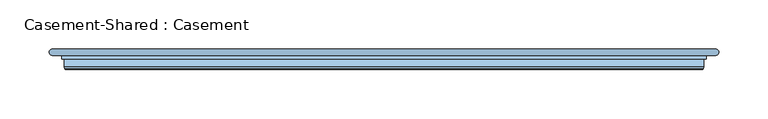
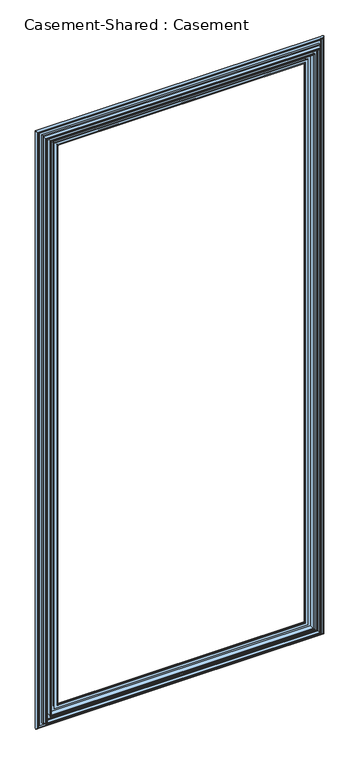
"""IFC4 building model written with IfcOpenShell, lengths in millimetres: window geometry, Casement-Shared : Casement."""

import ifcopenshell
import ifcopenshell.guid

model = None  # the IFC model being written
_history = None  # IfcOwnerHistory: only IFC2X3 demands one
_inside = {}  # id of a spatial element -> (the spatial element, [elements in it])
_under = {}  # id of a project, library or spatial element -> (it, [spatial elements below it])
_declared = {}  # id of a project -> (the project, [libraries it declares])
_typed = {}  # id of a type object -> (the type object, [elements of that type])
_made_of = {}  # id of a material, layer set ... -> (it, [elements and type objects made of it])


def new_model(schema):
    """Start an empty IFC model of exactly this schema.

    Asked for "IFC4X3", IfcOpenShell would pick the latest addendum, in which some entities
    have other attributes; the version numbers below select the first issue.
    IFC2X3 requires an IfcOwnerHistory on every rooted entity: one is made here for all.
    """
    global model, _history
    if schema == "IFC4X3":
        model = ifcopenshell.file(schema_version=(4, 3, 0, 0))
    else:
        model = ifcopenshell.file(schema=schema)
    _inside.clear()
    _under.clear()
    _declared.clear()
    _typed.clear()
    _made_of.clear()
    _history = None
    if model.schema == "IFC2X3":
        org = make("IfcOrganization", Name="unknown")
        user = make(
            "IfcPersonAndOrganization",
            ThePerson=make("IfcPerson", FamilyName="unknown"),
            TheOrganization=org,
        )
        app = make(
            "IfcApplication",
            ApplicationDeveloper=org,
            Version="unknown",
            ApplicationFullName="unknown",
            ApplicationIdentifier="unknown",
        )
        _history = make(
            "IfcOwnerHistory",
            OwningUser=user,
            OwningApplication=app,
            ChangeAction="ADDED",
            CreationDate=0,
        )
    return model


def make(cls, **values):
    """One entity of the class cls with the attributes given. An attribute that is None is left unset."""
    return model.create_entity(
        cls, **{name: value for name, value in values.items() if value is not None}
    )


def rooted(cls, **values):
    """An entity with a GlobalId (a new one), such as an element, a storey or a relation."""
    return make(cls, GlobalId=ifcopenshell.guid.new(), OwnerHistory=_history, **values)


def si_unit(unit_type, name, prefix=None):
    """IfcSIUnit, for example si_unit("LENGTHUNIT", "METRE", prefix="MILLI")."""
    return make("IfcSIUnit", UnitType=unit_type, Prefix=prefix, Name=name)


def assignment(units):
    """IfcUnitAssignment: the units of a project."""
    return None if units is None else make("IfcUnitAssignment", Units=units)


def point(xyz):
    """IfcCartesianPoint."""
    return None if xyz is None else make("IfcCartesianPoint", Coordinates=xyz)


def direction(xyz):
    """IfcDirection."""
    return None if xyz is None else make("IfcDirection", DirectionRatios=xyz)


def frame(location, z_axis=None, x_axis=None):
    """IfcAxis2Placement3D, a coordinate frame: its origin and axes. An axis left out is left unset."""
    return make(
        "IfcAxis2Placement3D",
        Location=point(location),
        Axis=direction(z_axis),
        RefDirection=direction(x_axis),
    )


def origin():
    """The frame at (0, 0, 0) with its axes left unset."""
    return frame((0.0, 0.0, 0.0))


def place(relative_to, where):
    """IfcLocalPlacement: puts the frame where relative to a parent placement (None: the world)."""
    return make(
        "IfcLocalPlacement", PlacementRelTo=relative_to, RelativePlacement=where
    )


def context(
    kind, dimensions, precision=None, world=None, true_north=None, identifier=None
):
    """IfcGeometricRepresentationContext, for example the 3D "Model" context."""
    return make(
        "IfcGeometricRepresentationContext",
        ContextIdentifier=identifier,
        ContextType=kind,
        CoordinateSpaceDimension=dimensions,
        Precision=precision,
        WorldCoordinateSystem=world,
        TrueNorth=true_north,
    )


def project(units=None, contexts=None):
    """IfcProject with its units and contexts."""
    return rooted(
        "IfcProject",
        Name="project",
        RepresentationContexts=contexts,
        UnitsInContext=assignment(units),
    )


def spatial(cls, under=None, at=None, **own):
    """A site, building, storey or space (cls), placed at a placement, below another one or the project."""
    s = rooted(cls, ObjectPlacement=at, **own)
    if under is not None:
        _under.setdefault(under.id(), (under, []))[1].append(s)
    return s


def polyline(points):
    """IfcPolyline through the points."""
    return make("IfcPolyline", Points=[point(p) for p in points])


def ellipse_curve(where, semi_axis1, semi_axis2):
    """IfcEllipse in the frame where."""
    return make(
        "IfcEllipse", Position=where, SemiAxis1=semi_axis1, SemiAxis2=semi_axis2
    )


def shape(context_of_items, identifier, shape_type, items):
    """IfcShapeRepresentation: the items that make up one representation, for example the "Body"."""
    return make(
        "IfcShapeRepresentation",
        ContextOfItems=context_of_items,
        RepresentationIdentifier=identifier,
        RepresentationType=shape_type,
        Items=items,
    )


def source(mapping_origin, context_of_items, identifier, shape_type, items):
    """IfcRepresentationMap: a shape defined once, which mapped items show again and again."""
    return make(
        "IfcRepresentationMap",
        MappingOrigin=mapping_origin,
        MappedRepresentation=shape(context_of_items, identifier, shape_type, items),
    )


def transform(
    local_origin,
    x_axis=None,
    y_axis=None,
    z_axis=None,
    scale=None,
    scale2=None,
    scale3=None,
    uniform=True,
):
    """IfcCartesianTransformationOperator3D, or its non-uniform kind. x_axis, y_axis, z_axis: its Axis1, 2, 3."""
    if uniform:
        return make(
            "IfcCartesianTransformationOperator3D",
            Axis1=direction(x_axis),
            Axis2=direction(y_axis),
            LocalOrigin=point(local_origin),
            Scale=scale,
            Axis3=direction(z_axis),
        )
    return make(
        "IfcCartesianTransformationOperator3DnonUniform",
        Axis1=direction(x_axis),
        Axis2=direction(y_axis),
        LocalOrigin=point(local_origin),
        Scale=scale,
        Axis3=direction(z_axis),
        Scale2=scale2,
        Scale3=scale3,
    )


def mapped(mapping_source, mapping_target):
    """IfcMappedItem: shows the shape of a source again, moved by a transform."""
    return make(
        "IfcMappedItem", MappingSource=mapping_source, MappingTarget=mapping_target
    )


def made_of(thing, what):
    """Note that an element or type object is made of a material, layer set ...; save() writes the relation."""
    if what is not None:
        _made_of.setdefault(what.id(), (what, []))[1].append(thing)
    return thing


def element(
    cls,
    number,
    at=None,
    inside=None,
    cuts=None,
    type_object=None,
    material=None,
    context=None,
    identifier="Body",
    shape_type=None,
    held_by="IfcProductDefinitionShape",
    body=None,
    shapes=None,
    **own,
):
    """One element of the class cls, such as IfcWall. Its Tag is "e" and its number.

    at: its placement. inside: the storey or other place that contains it. cuts: it is an
    opening in that element (IfcRelVoidsElement). A single representation is given by context,
    identifier, shape_type and body (its items); several are given by shapes. held_by: the class
    of the entity that holds the representations. save() writes the other relations.
    """
    e = rooted(cls, Tag="e%d" % number, ObjectPlacement=at, **own)
    if body is not None:
        shapes = [shape(context, identifier, shape_type, body)]
    if shapes is not None:
        e.Representation = make(held_by, Representations=shapes)
    if inside is not None:
        _inside.setdefault(inside.id(), (inside, []))[1].append(e)
    if cuts is not None:
        rooted(
            "IfcRelVoidsElement", RelatingBuildingElement=cuts, RelatedOpeningElement=e
        )
    if type_object is not None:
        _typed.setdefault(type_object.id(), (type_object, []))[1].append(e)
    return made_of(e, material)


def aggregate(whole, parts):
    """IfcRelAggregates: a whole, such as a stair, and the parts it consists of."""
    return rooted("IfcRelAggregates", RelatingObject=whole, RelatedObjects=parts)


def save(model, path):
    """Write the relations noted so far, then the file.

    IfcRelAggregates (storeys below a building ...), IfcRelContainedInSpatialStructure (elements
    in a storey), IfcRelDefinesByType, IfcRelAssociatesMaterial and IfcRelDeclares: one each for
    every whole, place, type object, material and project.
    """
    for whole, parts in _under.values():
        aggregate(whole, parts)
    for where, things in _inside.values():
        rooted(
            "IfcRelContainedInSpatialStructure",
            RelatedElements=things,
            RelatingStructure=where,
        )
    for kind, things in _typed.values():
        rooted("IfcRelDefinesByType", RelatedObjects=things, RelatingType=kind)
    for what, things in _made_of.values():
        rooted("IfcRelAssociatesMaterial", RelatedObjects=things, RelatingMaterial=what)
    for by, libraries in _declared.values():
        rooted("IfcRelDeclares", RelatingContext=by, RelatedDefinitions=libraries)
    model.write(path)


def plane_surface(at):
    """IfcPlane: the flat surface through the origin of the frame at, square to its z axis."""
    return make("IfcPlane", Position=at)


def cylinder_surface(at, radius):
    """IfcCylindricalSurface: all points at the distance radius from the z axis of the frame at."""
    return make("IfcCylindricalSurface", Position=at, Radius=radius)


def revolved_surface(curve, axis_point, axis_direction):
    """IfcSurfaceOfRevolution: the curve turned about the line through axis_point along axis_direction."""
    return make(
        "IfcSurfaceOfRevolution",
        SweptCurve=make("IfcArbitraryOpenProfileDef", ProfileType="CURVE", Curve=curve),
        AxisPosition=make("IfcAxis1Placement", Location=point(axis_point), Axis=direction(axis_direction)),
    )


def advanced_brep(points, edges, surfaces, faces):
    """IfcAdvancedBrep: a solid bounded by faces that lie on surfaces and meet in shared edges.

    An edge is (start, end): straight between two places in points (the first is 0);
    or (start, end, curve); or (start, end, curve, False) where it runs against its curve.
    A face is (place in surfaces, loops), or (place, loops, False) where it looks against
    its surface's normal. A loop lists edges by number (the first is 1), with a minus sign
    where the edge is run from its end to its start. The first loop is the outer one.
    """
    corners = [point(p) for p in points]
    vertices = [make("IfcVertexPoint", VertexGeometry=c) for c in corners]
    made = []
    for start, end, *more in edges:
        made.append(
            make(
                "IfcEdgeCurve",
                EdgeStart=vertices[start],
                EdgeEnd=vertices[end],
                EdgeGeometry=more[0] if more else make("IfcPolyline", Points=[corners[start], corners[end]]),
                SameSense=more[1] if len(more) > 1 else True,
            )
        )
    hull = []
    for where, loops, *sense in faces:
        bounds = []
        for j, loop in enumerate(loops):
            ring = [make("IfcOrientedEdge", EdgeElement=made[abs(k) - 1], Orientation=k > 0) for k in loop]
            bounds.append(
                make(
                    "IfcFaceOuterBound" if j == 0 else "IfcFaceBound",
                    Bound=make("IfcEdgeLoop", EdgeList=ring),
                    Orientation=True,
                )
            )
        hull.append(make("IfcAdvancedFace", Bounds=bounds, FaceSurface=surfaces[where], SameSense=sense[0] if sense else True))
    return make("IfcAdvancedBrep", Outer=make("IfcClosedShell", CfsFaces=hull))


def casement_shared_casement_05b8ebf6(model_context):
    return source(origin(), model_context, "Body", "AdvancedBrep", [
        advanced_brep(
        [(-324.246875, 91.2647909, 2407.046875), (-323.7972647, 89.6205352, 2406.5972647), (323.7972647, 89.6205352, 2406.5972647), (324.246875, 91.2647909, 2407.046875), (-324.246875, 99.4568751, 2407.046875), (324.246875, 99.4568751, 2407.046875), (-327.025, 103.8225001, 2409.825), (-327.025, 99.4568751, 2409.825), (327.025, 99.4568751, 2409.825), (327.025, 103.8225001, 2409.825), (-332.994, 105.2195001, 2415.794), (-332.994, 103.8225001, 2415.794), (332.994, 103.8225001, 2415.794), (332.994, 105.2195001, 2415.794), (-327.025, 107.2038751, 2409.825), (-327.025, 105.2195001, 2409.825), (327.025, 105.2195001, 2409.825), (327.025, 107.2038751, 2409.825), (-332.994, 108.6008751, 2415.794), (-332.994, 107.2038751, 2415.794), (332.994, 107.2038751, 2415.794), (332.994, 108.6008751, 2415.794), (-295.827571, 107.8071251, 2378.627571), (-297.2023863, 108.6008751, 2380.0023863), (297.2023863, 108.6008751, 2380.0023863), (295.827571, 107.8071251, 2378.627571), (-291.9158097, 101.0317557, 2374.7158097), (291.9158097, 101.0317557, 2374.7158097), (-291.727887, 99.9587099, 2374.527887), (291.727887, 99.9587099, 2374.527887), (-293.0237954, 99.4568751, 2375.8237954), (293.0237954, 99.4568751, 2375.8237954), (-299.259625, 100.8538751, 2382.059625), (-299.259625, 99.4568751, 2382.059625), (299.259625, 99.4568751, 2382.059625), (299.259625, 100.8538751, 2382.059625), (-293.7561826, 101.4253751, 2376.5561826), (-294.0861382, 100.8538751, 2376.8861382), (294.0861382, 100.8538751, 2376.8861382), (293.7561826, 101.4253751, 2376.5561826), (-297.0924011, 107.2038751, 2379.8924011), (297.0924011, 107.2038751, 2379.8924011), (-309.5625, 95.8691251, 2392.3625), (-309.5625, 107.2038751, 2392.3625), (309.5625, 107.2038751, 2392.3625), (309.5625, 95.8691251, 2392.3625), (-310.0185952, 94.6800701, 2392.8185952), (310.0185952, 94.6800701, 2392.8185952), (-310.0185952, 93.601925, 2392.8185952), (310.0185952, 93.601925, 2392.8185952), (-311.3615086, 93.62459, 2394.1615086), (311.3615086, 93.62459, 2394.1615086), (-311.7323302, 95.008515, 2394.5323302), (311.7323302, 95.008515, 2394.5323302), (-310.9595, 95.8691251, 2393.7595), (310.9595, 95.8691251, 2393.7595), (-310.9595, 107.2038751, 2393.7595), (310.9595, 107.2038751, 2393.7595), (-325.628, 100.8538751, 2408.428), (-325.628, 107.2038751, 2408.428), (325.628, 107.2038751, 2408.428), (325.628, 100.8538751, 2408.428), (-320.45275, 99.4568751, 2403.25275), (-320.45275, 100.8538751, 2403.25275), (320.45275, 100.8538751, 2403.25275), (320.45275, 99.4568751, 2403.25275), (-322.849875, 91.4157202, 2405.649875), (-322.849875, 99.4568751, 2405.649875), (322.849875, 99.4568751, 2405.649875), (322.849875, 91.4157202, 2405.649875), (-322.0770448, 90.64289, 2404.8770448), (322.0770448, 90.64289, 2404.8770448), (-322.4478664, 89.258965, 2405.2478664), (322.4478664, 89.258965, 2405.2478664), (323.7972647, 89.6205352, 946.2027353), (324.246875, 91.2647909, 945.753125), (324.246875, 99.4568751, 945.753125), (327.025, 99.4568751, 942.975), (327.025, 103.8225001, 942.975), (332.994, 103.8225001, 937.006), (332.994, 105.2195001, 937.006), (327.025, 105.2195001, 942.975), (327.025, 107.2038751, 942.975), (332.994, 107.2038751, 937.006), (332.994, 108.6008751, 937.006), (297.2023863, 108.6008751, 972.7976137), (295.827571, 107.8071251, 974.172429), (291.9158097, 101.0317557, 978.0841903), (291.727887, 99.9587099, 978.272113), (293.0237954, 99.4568751, 976.9762046), (299.259625, 99.4568751, 970.740375), (299.259625, 100.8538751, 970.740375), (294.0861382, 100.8538751, 975.9138618), (293.7561826, 101.4253751, 976.2438174), (297.0924011, 107.2038751, 972.9075989), (309.5625, 107.2038751, 960.4375), (309.5625, 95.8691251, 960.4375), (310.0185952, 94.6800701, 959.9814048), (310.0185952, 93.601925, 959.9814048), (311.3615086, 93.62459, 958.6384914), (311.7323302, 95.008515, 958.2676698), (310.9595, 95.8691251, 959.0405), (310.9595, 107.2038751, 959.0405), (325.628, 107.2038751, 944.372), (325.628, 100.8538751, 944.372), (320.45275, 100.8538751, 949.54725), (320.45275, 99.4568751, 949.54725), (322.849875, 99.4568751, 947.150125), (322.849875, 91.4157202, 947.150125), (322.0770448, 90.64289, 947.9229552), (322.4478664, 89.258965, 947.5521336), (-323.7972647, 89.6205352, 946.2027353), (-324.246875, 91.2647909, 945.753125), (-324.246875, 99.4568751, 945.753125), (-327.025, 99.4568751, 942.975), (-327.025, 103.8225001, 942.975), (-332.994, 103.8225001, 937.006), (-332.994, 105.2195001, 937.006), (-327.025, 105.2195001, 942.975), (-327.025, 107.2038751, 942.975), (-332.994, 107.2038751, 937.006), (-332.994, 108.6008751, 937.006), (-297.2023863, 108.6008751, 972.7976137), (-295.827571, 107.8071251, 974.172429), (-291.9158097, 101.0317557, 978.0841903), (-291.727887, 99.9587099, 978.272113), (-293.0237954, 99.4568751, 976.9762046), (-299.259625, 99.4568751, 970.740375), (-299.259625, 100.8538751, 970.740375), (-294.0861382, 100.8538751, 975.9138618), (-293.7561826, 101.4253751, 976.2438174), (-297.0924011, 107.2038751, 972.9075989), (-309.5625, 107.2038751, 960.4375), (-309.5625, 95.8691251, 960.4375), (-310.0185952, 94.6800701, 959.9814048), (-310.0185952, 93.601925, 959.9814048), (-311.3615086, 93.62459, 958.6384914), (-311.7323302, 95.008515, 958.2676698), (-310.9595, 95.8691251, 959.0405), (-310.9595, 107.2038751, 959.0405), (-325.628, 107.2038751, 944.372), (-325.628, 100.8538751, 944.372), (-320.45275, 100.8538751, 949.54725), (-320.45275, 99.4568751, 949.54725), (-322.849875, 99.4568751, 947.150125), (-322.849875, 91.4157202, 947.150125), (-322.0770448, 90.64289, 947.9229552), (-322.4478664, 89.258965, 947.5521336)],
        [
            (0, 1),
            (1, 2),
            (2, 3),
            (3, 0),
            (4, 0),
            (3, 5),
            (5, 4),
            (6, 7),
            (7, 8),
            (8, 9),
            (9, 6),
            (10, 11),
            (11, 12),
            (12, 13),
            (13, 10),
            (14, 15),
            (15, 16),
            (16, 17),
            (17, 14),
            (18, 19),
            (19, 20),
            (20, 21),
            (21, 18),
            (22, 23, ellipse_curve(frame((-297.2023863, 107.0133751, 2380.0023863), z_axis=(0.7071067811865475, 0.0, 0.7071067811865475), x_axis=(-0.7071067811865476, 0.0, 0.7071067811865474)), 2.245064, 1.5875)),
            (23, 24),
            (24, 25, ellipse_curve(frame((297.2023863, 107.0133751, 2380.0023863), z_axis=(-0.7071067811865475, 0.0, 0.7071067811865475), x_axis=(-0.7071067811865476, 0.0, -0.7071067811865474)), 2.245064, 1.5875)),
            (25, 22),
            (26, 22),
            (25, 27),
            (27, 26),
            (28, 26, ellipse_curve(frame((-293.290625, 100.2380057, 2376.090625), z_axis=(0.7071067811865475, 0.0, 0.7071067811865475), x_axis=(-0.7071067811865476, 0.0, 0.7071067811865474)), 2.245064, 1.5875)),
            (27, 29, ellipse_curve(frame((293.290625, 100.2380057, 2376.090625), z_axis=(-0.7071067811865475, 0.0, 0.7071067811865475), x_axis=(-0.7071067811865476, 0.0, -0.7071067811865474)), 2.245064, 1.5875)),
            (29, 28),
            (30, 28, ellipse_curve(frame((-292.401625, 99.7743751, 2375.201625), z_axis=(0.7071067811865475, 0.0, 0.7071067811865475), x_axis=(-0.7071067811865476, 0.0, 0.7071067811865474)), 0.9878282, 0.6985)),
            (29, 31, ellipse_curve(frame((292.401625, 99.7743751, 2375.201625), z_axis=(-0.7071067811865475, 0.0, 0.7071067811865475), x_axis=(-0.7071067811865476, 0.0, -0.7071067811865474)), 0.9878282, 0.6985)),
            (31, 30),
            (32, 33),
            (33, 34),
            (34, 35),
            (35, 32),
            (36, 37, ellipse_curve(frame((-294.0861382, 101.2348751, 2376.8861382), z_axis=(-0.7071067811865475, 0.0, -0.7071067811865475), x_axis=(0.7071067811865476, 0.0, -0.7071067811865474)), 0.5388154, 0.381)),
            (37, 38),
            (38, 39, ellipse_curve(frame((294.0861382, 101.2348751, 2376.8861382), z_axis=(0.7071067811865475, 0.0, -0.7071067811865475), x_axis=(0.7071067811865476, 0.0, 0.7071067811865474)), 0.5388154, 0.381)),
            (39, 36),
            (40, 36),
            (39, 41),
            (41, 40),
            (42, 43),
            (43, 44),
            (44, 45),
            (45, 42),
            (46, 42, ellipse_curve(frame((-311.3405, 95.8691251, 2394.1405), z_axis=(0.7071067811865475, 0.0, 0.7071067811865475), x_axis=(-0.7071067811865476, 0.0, 0.7071067811865474)), 2.5144717, 1.778)),
            (45, 47, ellipse_curve(frame((311.3405, 95.8691251, 2394.1405), z_axis=(-0.7071067811865475, 0.0, 0.7071067811865475), x_axis=(-0.7071067811865476, 0.0, -0.7071067811865474)), 2.5144717, 1.778)),
            (47, 46),
            (48, 46),
            (47, 49),
            (49, 48),
            (50, 48, ellipse_curve(frame((-310.6868095, 93.8053751, 2393.4868095), z_axis=(0.7071067811865475, 0.0, 0.7071067811865475), x_axis=(-0.7071067811865476, 0.0, 0.7071067811865474)), 0.9878282, 0.6985)),
            (49, 51, ellipse_curve(frame((310.6868095, 93.8053751, 2393.4868095), z_axis=(-0.7071067811865475, 0.0, 0.7071067811865475), x_axis=(-0.7071067811865476, 0.0, -0.7071067811865474)), 0.9878282, 0.6985)),
            (51, 50),
            (52, 50),
            (51, 53),
            (53, 52),
            (54, 52),
            (53, 55),
            (55, 54),
            (56, 54),
            (55, 57),
            (57, 56),
            (58, 59),
            (59, 60),
            (60, 61),
            (61, 58),
            (62, 63),
            (63, 64),
            (64, 65),
            (65, 62),
            (66, 67),
            (67, 68),
            (68, 69),
            (69, 66),
            (70, 66),
            (69, 71),
            (71, 70),
            (72, 70),
            (71, 73),
            (73, 72),
            (1, 72, ellipse_curve(frame((-323.1225655, 89.4397501, 2405.9225655), z_axis=(0.7071067811865475, 0.0, 0.7071067811865475), x_axis=(-0.7071067811865476, 0.0, 0.7071067811865474)), 0.9878282, 0.6985)),
            (73, 2, ellipse_curve(frame((323.1225655, 89.4397501, 2405.9225655), z_axis=(-0.7071067811865475, 0.0, 0.7071067811865475), x_axis=(-0.7071067811865476, 0.0, -0.7071067811865474)), 0.9878282, 0.6985)),
            (2, 74),
            (74, 75),
            (75, 3),
            (75, 76),
            (76, 5),
            (8, 77),
            (77, 78),
            (78, 9),
            (12, 79),
            (79, 80),
            (80, 13),
            (16, 81),
            (81, 82),
            (82, 17),
            (20, 83),
            (83, 84),
            (84, 21),
            (24, 85),
            (85, 86, ellipse_curve(frame((297.2023863, 107.0133751, 972.7976137), z_axis=(0.7071067811865475, 0.0, 0.7071067811865475), x_axis=(-0.7071067811865474, 0.0, 0.7071067811865476)), 2.245064, 1.5875)),
            (86, 25),
            (86, 87),
            (87, 27),
            (87, 88, ellipse_curve(frame((293.290625, 100.2380057, 976.709375), z_axis=(0.7071067811865475, 0.0, 0.7071067811865475), x_axis=(-0.7071067811865474, 0.0, 0.7071067811865476)), 2.245064, 1.5875)),
            (88, 29),
            (88, 89, ellipse_curve(frame((292.401625, 99.7743751, 977.598375), z_axis=(0.7071067811865475, 0.0, 0.7071067811865475), x_axis=(-0.7071067811865474, 0.0, 0.7071067811865476)), 0.9878282, 0.6985)),
            (89, 31),
            (34, 90),
            (90, 91),
            (91, 35),
            (38, 92),
            (92, 93, ellipse_curve(frame((294.0861382, 101.2348751, 975.9138618), z_axis=(-0.7071067811865475, 0.0, -0.7071067811865475), x_axis=(0.7071067811865474, 0.0, -0.7071067811865476)), 0.5388154, 0.381)),
            (93, 39),
            (93, 94),
            (94, 41),
            (44, 95),
            (95, 96),
            (96, 45),
            (96, 97, ellipse_curve(frame((311.3405, 95.8691251, 958.6595), z_axis=(0.7071067811865475, 0.0, 0.7071067811865475), x_axis=(-0.7071067811865474, 0.0, 0.7071067811865476)), 2.5144717, 1.778)),
            (97, 47),
            (97, 98),
            (98, 49),
            (98, 99, ellipse_curve(frame((310.6868095, 93.8053751, 959.3131905), z_axis=(0.7071067811865475, 0.0, 0.7071067811865475), x_axis=(-0.7071067811865474, 0.0, 0.7071067811865476)), 0.9878282, 0.6985)),
            (99, 51),
            (99, 100),
            (100, 53),
            (100, 101),
            (101, 55),
            (101, 102),
            (102, 57),
            (60, 103),
            (103, 104),
            (104, 61),
            (64, 105),
            (105, 106),
            (106, 65),
            (68, 107),
            (107, 108),
            (108, 69),
            (108, 109),
            (109, 71),
            (109, 110),
            (110, 73),
            (110, 74, ellipse_curve(frame((323.1225655, 89.4397501, 946.8774345), z_axis=(0.7071067811865475, 0.0, 0.7071067811865475), x_axis=(-0.7071067811865474, 0.0, 0.7071067811865476)), 0.9878282, 0.6985)),
            (74, 111),
            (111, 112),
            (112, 75),
            (112, 113),
            (113, 76),
            (77, 114),
            (114, 115),
            (115, 78),
            (79, 116),
            (116, 117),
            (117, 80),
            (81, 118),
            (118, 119),
            (119, 82),
            (83, 120),
            (120, 121),
            (121, 84),
            (85, 122),
            (122, 123, ellipse_curve(frame((-297.2023863, 107.0133751, 972.7976137), z_axis=(0.7071067811865475, 0.0, -0.7071067811865475), x_axis=(0.7071067811865476, 0.0, 0.7071067811865474)), 2.245064, 1.5875)),
            (123, 86),
            (123, 124),
            (124, 87),
            (124, 125, ellipse_curve(frame((-293.290625, 100.2380057, 976.709375), z_axis=(0.7071067811865475, 0.0, -0.7071067811865475), x_axis=(0.7071067811865476, 0.0, 0.7071067811865474)), 2.245064, 1.5875)),
            (125, 88),
            (125, 126, ellipse_curve(frame((-292.401625, 99.7743751, 977.598375), z_axis=(0.7071067811865475, 0.0, -0.7071067811865475), x_axis=(0.7071067811865476, 0.0, 0.7071067811865474)), 0.9878282, 0.6985)),
            (126, 89),
            (90, 127),
            (127, 128),
            (128, 91),
            (92, 129),
            (129, 130, ellipse_curve(frame((-294.0861382, 101.2348751, 975.9138618), z_axis=(-0.7071067811865475, 0.0, 0.7071067811865475), x_axis=(-0.7071067811865476, 0.0, -0.7071067811865474)), 0.5388154, 0.381)),
            (130, 93),
            (130, 131),
            (131, 94),
            (95, 132),
            (132, 133),
            (133, 96),
            (133, 134, ellipse_curve(frame((-311.3405, 95.8691251, 958.6595), z_axis=(0.7071067811865475, 0.0, -0.7071067811865475), x_axis=(0.7071067811865476, 0.0, 0.7071067811865474)), 2.5144717, 1.778)),
            (134, 97),
            (134, 135),
            (135, 98),
            (135, 136, ellipse_curve(frame((-310.6868095, 93.8053751, 959.3131905), z_axis=(0.7071067811865475, 0.0, -0.7071067811865475), x_axis=(0.7071067811865476, 0.0, 0.7071067811865474)), 0.9878282, 0.6985)),
            (136, 99),
            (136, 137),
            (137, 100),
            (137, 138),
            (138, 101),
            (138, 139),
            (139, 102),
            (103, 140),
            (140, 141),
            (141, 104),
            (105, 142),
            (142, 143),
            (143, 106),
            (107, 144),
            (144, 145),
            (145, 108),
            (145, 146),
            (146, 109),
            (146, 147),
            (147, 110),
            (147, 111, ellipse_curve(frame((-323.1225655, 89.4397501, 946.8774345), z_axis=(0.7071067811865475, 0.0, -0.7071067811865475), x_axis=(0.7071067811865476, 0.0, 0.7071067811865474)), 0.9878282, 0.6985)),
            (111, 1),
            (0, 112),
            (4, 113),
            (7, 114),
            (6, 115),
            (11, 116),
            (10, 117),
            (15, 118),
            (14, 119),
            (19, 120),
            (18, 121),
            (23, 122),
            (22, 123),
            (26, 124),
            (28, 125),
            (30, 126),
            (33, 127),
            (32, 128),
            (37, 129),
            (36, 130),
            (40, 131),
            (43, 132),
            (42, 133),
            (46, 134),
            (48, 135),
            (50, 136),
            (52, 137),
            (54, 138),
            (56, 139),
            (59, 140),
            (58, 141),
            (63, 142),
            (62, 143),
            (67, 144),
            (66, 145),
            (70, 146),
            (72, 147),
        ],
        [
            plane_surface(frame((-323.7972647, 89.6205352, 2406.5972647), z_axis=(0.0, -0.26375995311193307, 0.9645883511293256), x_axis=(1.0, 0.0, 0.0))),
            plane_surface(frame((-324.246875, 91.2647909, 2407.046875), z_axis=(0.0, 0.0, 1.0), x_axis=(1.0, 0.0, 0.0))),
            plane_surface(frame((-327.025, 99.4568751, 2409.825), z_axis=(0.0, 0.0, 1.0), x_axis=(1.0, 0.0, 0.0))),
            plane_surface(frame((-332.994, 103.8225001, 2415.794), z_axis=(0.0, 0.0, 1.0), x_axis=(1.0, 0.0, 0.0))),
            plane_surface(frame((-327.025, 105.2195001, 2409.825), z_axis=(0.0, 0.0, 1.0), x_axis=(1.0, 0.0, 0.0))),
            plane_surface(frame((-332.994, 107.2038751, 2415.794), z_axis=(0.0, 0.0, 1.0), x_axis=(1.0, 0.0, 0.0))),
            cylinder_surface(frame((-355.6, 107.0133751, 2380.0023863), z_axis=(-1.0, 0.0, 0.0), x_axis=(0.0, -1.0, 0.0)), 1.5875),
            plane_surface(frame((-295.827571, 107.8071251, 2378.627571), z_axis=(0.0, 0.5000000000793982, -0.8660254037385982), x_axis=(1.0, 0.0, 0.0))),
            cylinder_surface(frame((-355.6, 100.2380057, 2376.090625), z_axis=(-1.0, 0.0, 0.0), x_axis=(0.0, -1.0, 0.0)), 1.5875),
            cylinder_surface(frame((-355.6, 99.7743751, 2375.201625), z_axis=(-1.0, 0.0, 0.0), x_axis=(0.0, -1.0, 0.0)), 0.6985),
            plane_surface(frame((-299.259625, 99.4568751, 2382.059625), z_axis=(0.0, 0.0, 1.0), x_axis=(1.0, 0.0, 0.0))),
            revolved_surface(polyline([(294.4671382231477, 100.8538751, 2376.8861382), (-294.46713822314774, 100.8538751, 2376.8861382)]), (-355.6, 101.2348751, 2376.8861382), (1.0, 0.0, 0.0)),
            plane_surface(frame((-293.7561826, 101.4253751, 2376.5561826), z_axis=(0.0, -0.49999999995499805, 0.8660254038104205), x_axis=(1.0, 0.0, 0.0))),
            plane_surface(frame((-309.5625, 107.2038751, 2392.3625), z_axis=(0.0, 0.0, -1.0), x_axis=(1.0, 0.0, 0.0))),
            cylinder_surface(frame((-355.6, 95.8691251, 2394.1405), z_axis=(-1.0, 0.0, 0.0), x_axis=(0.0, -1.0, 0.0)), 1.778),
            plane_surface(frame((-310.0185952, 94.6800701, 2392.8185952), z_axis=(0.0, 0.0, -1.0), x_axis=(1.0, 0.0, 0.0))),
            cylinder_surface(frame((-355.6, 93.8053751, 2393.4868095), z_axis=(-1.0, 0.0, 0.0), x_axis=(0.0, -1.0, 0.0)), 0.6985),
            plane_surface(frame((-311.3615086, 93.62459, 2394.1615086), z_axis=(0.0, -0.2588190447944264, 0.9659258263716219), x_axis=(1.0, 0.0, 0.0))),
            plane_surface(frame((-311.7323302, 95.008515, 2394.5323302), z_axis=(0.0, 0.6681433393283808, 0.7440325786624672), x_axis=(1.0, 0.0, 0.0))),
            plane_surface(frame((-310.9595, 95.8691251, 2393.7595), z_axis=(0.0, 0.0, 1.0), x_axis=(1.0, 0.0, 0.0))),
            plane_surface(frame((-325.628, 107.2038751, 2408.428), z_axis=(0.0, 0.0, -1.0), x_axis=(1.0, 0.0, 0.0))),
            plane_surface(frame((-320.45275, 100.8538751, 2403.25275), z_axis=(0.0, 0.0, -1.0), x_axis=(1.0, 0.0, 0.0))),
            plane_surface(frame((-322.849875, 99.4568751, 2405.649875), z_axis=(0.0, 0.0, -1.0), x_axis=(1.0, 0.0, 0.0))),
            plane_surface(frame((-322.849875, 91.4157202, 2405.649875), z_axis=(0.0, 0.7071067811859593, -0.7071067811871358), x_axis=(1.0, 0.0, 0.0))),
            plane_surface(frame((-322.0770448, 90.64289, 2404.8770448), z_axis=(0.0, -0.2588190451546615, -0.9659258262750973), x_axis=(1.0, 0.0, 0.0))),
            cylinder_surface(frame((-355.6, 89.4397501, 2405.9225655), z_axis=(-1.0, 0.0, 0.0), x_axis=(0.0, -1.0, 0.0)), 0.6985),
            plane_surface(frame((323.7972647, 89.6205352, 2406.5972647), z_axis=(0.9645883511293256, -0.26375995311193307, 0.0), x_axis=(0.0, 0.0, -1.0))),
            plane_surface(frame((324.246875, 91.2647909, 2407.046875), z_axis=(1.0, 0.0, 0.0), x_axis=(0.0, 0.0, -1.0))),
            plane_surface(frame((327.025, 99.4568751, 2409.825), z_axis=(1.0, 0.0, 0.0), x_axis=(0.0, 0.0, -1.0))),
            plane_surface(frame((332.994, 103.8225001, 2415.794), z_axis=(1.0, 0.0, 0.0), x_axis=(0.0, 0.0, -1.0))),
            plane_surface(frame((327.025, 105.2195001, 2409.825), z_axis=(1.0, 0.0, 0.0), x_axis=(0.0, 0.0, -1.0))),
            plane_surface(frame((332.994, 107.2038751, 2415.794), z_axis=(1.0, 0.0, 0.0), x_axis=(0.0, 0.0, -1.0))),
            cylinder_surface(frame((297.2023863, 107.0133751, 2438.4), z_axis=(0.0, 0.0, 1.0), x_axis=(0.0, -1.0, 0.0)), 1.5875),
            plane_surface(frame((295.827571, 107.8071251, 2378.627571), z_axis=(-0.8660254037385982, 0.5000000000793982, 0.0), x_axis=(0.0, 0.0, -1.0))),
            cylinder_surface(frame((293.290625, 100.2380057, 2438.4), z_axis=(0.0, 0.0, 1.0), x_axis=(0.0, -1.0, 0.0)), 1.5875),
            cylinder_surface(frame((292.401625, 99.7743751, 2438.4), z_axis=(0.0, 0.0, 1.0), x_axis=(0.0, -1.0, 0.0)), 0.6985),
            plane_surface(frame((299.259625, 99.4568751, 2382.059625), z_axis=(1.0, 0.0, 0.0), x_axis=(0.0, 0.0, -1.0))),
            revolved_surface(polyline([(294.0861382, 100.8538751, 975.5328617768523), (294.0861382, 100.8538751, 2377.267138223148)]), (294.0861382, 101.2348751, 2438.4), (0.0, 0.0, -1.0)),
            plane_surface(frame((293.7561826, 101.4253751, 2376.5561826), z_axis=(0.8660254038104205, -0.49999999995499805, 0.0), x_axis=(0.0, 0.0, -1.0))),
            plane_surface(frame((309.5625, 107.2038751, 2392.3625), z_axis=(-1.0, 0.0, 0.0), x_axis=(0.0, 0.0, -1.0))),
            cylinder_surface(frame((311.3405, 95.8691251, 2438.4), z_axis=(0.0, 0.0, 1.0), x_axis=(0.0, -1.0, 0.0)), 1.778),
            plane_surface(frame((310.0185952, 94.6800701, 2392.8185952), z_axis=(-1.0, 0.0, 0.0), x_axis=(0.0, 0.0, -1.0))),
            cylinder_surface(frame((310.6868095, 93.8053751, 2438.4), z_axis=(0.0, 0.0, 1.0), x_axis=(0.0, -1.0, 0.0)), 0.6985),
            plane_surface(frame((311.3615086, 93.62459, 2394.1615086), z_axis=(0.9659258263716219, -0.2588190447944264, 0.0), x_axis=(0.0, 0.0, -1.0))),
            plane_surface(frame((311.7323302, 95.008515, 2394.5323302), z_axis=(0.7440325786624672, 0.6681433393283808, 0.0), x_axis=(0.0, 0.0, -1.0))),
            plane_surface(frame((310.9595, 95.8691251, 2393.7595), z_axis=(1.0, 0.0, 0.0), x_axis=(0.0, 0.0, -1.0))),
            plane_surface(frame((325.628, 107.2038751, 2408.428), z_axis=(-1.0, 0.0, 0.0), x_axis=(0.0, 0.0, -1.0))),
            plane_surface(frame((320.45275, 100.8538751, 2403.25275), z_axis=(-1.0, 0.0, 0.0), x_axis=(0.0, 0.0, -1.0))),
            plane_surface(frame((322.849875, 99.4568751, 2405.649875), z_axis=(-1.0, 0.0, 0.0), x_axis=(0.0, 0.0, -1.0))),
            plane_surface(frame((322.849875, 91.4157202, 2405.649875), z_axis=(-0.7071067811871358, 0.7071067811859593, 0.0), x_axis=(0.0, 0.0, -1.0))),
            plane_surface(frame((322.0770448, 90.64289, 2404.8770448), z_axis=(-0.9659258262750973, -0.2588190451546615, 0.0), x_axis=(0.0, 0.0, -1.0))),
            cylinder_surface(frame((323.1225655, 89.4397501, 2438.4), z_axis=(0.0, 0.0, 1.0), x_axis=(0.0, -1.0, 0.0)), 0.6985),
            plane_surface(frame((323.7972647, 89.6205352, 946.2027353), z_axis=(0.0, -0.26375995311193307, -0.9645883511293256), x_axis=(-1.0, 0.0, 0.0))),
            plane_surface(frame((324.246875, 91.2647909, 945.753125), z_axis=(0.0, 0.0, -1.0), x_axis=(-1.0, 0.0, 0.0))),
            plane_surface(frame((327.025, 99.4568751, 942.975), z_axis=(0.0, 0.0, -1.0), x_axis=(-1.0, 0.0, 0.0))),
            plane_surface(frame((332.994, 103.8225001, 937.006), z_axis=(0.0, 0.0, -1.0), x_axis=(-1.0, 0.0, 0.0))),
            plane_surface(frame((327.025, 105.2195001, 942.975), z_axis=(0.0, 0.0, -1.0), x_axis=(-1.0, 0.0, 0.0))),
            plane_surface(frame((332.994, 107.2038751, 937.006), z_axis=(0.0, 0.0, -1.0), x_axis=(-1.0, 0.0, 0.0))),
            cylinder_surface(frame((355.6, 107.0133751, 972.7976137), z_axis=(1.0, 0.0, 0.0), x_axis=(0.0, -1.0, 0.0)), 1.5875),
            plane_surface(frame((295.827571, 107.8071251, 974.172429), z_axis=(0.0, 0.5000000000793982, 0.8660254037385982), x_axis=(-1.0, 0.0, 0.0))),
            cylinder_surface(frame((355.6, 100.2380057, 976.709375), z_axis=(1.0, 0.0, 0.0), x_axis=(0.0, -1.0, 0.0)), 1.5875),
            cylinder_surface(frame((355.6, 99.7743751, 977.598375), z_axis=(1.0, 0.0, 0.0), x_axis=(0.0, -1.0, 0.0)), 0.6985),
            plane_surface(frame((299.259625, 99.4568751, 970.740375), z_axis=(0.0, 0.0, -1.0), x_axis=(-1.0, 0.0, 0.0))),
            revolved_surface(polyline([(-294.4671382231477, 100.8538751, 975.9138618), (294.46713822314774, 100.8538751, 975.9138618)]), (355.6, 101.2348751, 975.9138618), (-1.0, 0.0, 0.0)),
            plane_surface(frame((293.7561826, 101.4253751, 976.2438174), z_axis=(0.0, -0.49999999995499805, -0.8660254038104205), x_axis=(-1.0, 0.0, 0.0))),
            plane_surface(frame((309.5625, 107.2038751, 960.4375), z_axis=(0.0, 0.0, 1.0), x_axis=(-1.0, 0.0, 0.0))),
            cylinder_surface(frame((355.6, 95.8691251, 958.6595), z_axis=(1.0, 0.0, 0.0), x_axis=(0.0, -1.0, 0.0)), 1.778),
            plane_surface(frame((310.0185952, 94.6800701, 959.9814048), z_axis=(0.0, 0.0, 1.0), x_axis=(-1.0, 0.0, 0.0))),
            cylinder_surface(frame((355.6, 93.8053751, 959.3131905), z_axis=(1.0, 0.0, 0.0), x_axis=(0.0, -1.0, 0.0)), 0.6985),
            plane_surface(frame((311.3615086, 93.62459, 958.6384914), z_axis=(0.0, -0.2588190447944264, -0.9659258263716219), x_axis=(-1.0, 0.0, 0.0))),
            plane_surface(frame((311.7323302, 95.008515, 958.2676698), z_axis=(0.0, 0.6681433393283808, -0.7440325786624672), x_axis=(-1.0, 0.0, 0.0))),
            plane_surface(frame((310.9595, 95.8691251, 959.0405), z_axis=(0.0, 0.0, -1.0), x_axis=(-1.0, 0.0, 0.0))),
            plane_surface(frame((325.628, 107.2038751, 944.372), z_axis=(0.0, 0.0, 1.0), x_axis=(-1.0, 0.0, 0.0))),
            plane_surface(frame((320.45275, 100.8538751, 949.54725), z_axis=(0.0, 0.0, 1.0), x_axis=(-1.0, 0.0, 0.0))),
            plane_surface(frame((322.849875, 99.4568751, 947.150125), z_axis=(0.0, 0.0, 1.0), x_axis=(-1.0, 0.0, 0.0))),
            plane_surface(frame((322.849875, 91.4157202, 947.150125), z_axis=(0.0, 0.7071067811859593, 0.7071067811871358), x_axis=(-1.0, 0.0, 0.0))),
            plane_surface(frame((322.0770448, 90.64289, 947.9229552), z_axis=(0.0, -0.2588190451546615, 0.9659258262750973), x_axis=(-1.0, 0.0, 0.0))),
            cylinder_surface(frame((355.6, 89.4397501, 946.8774345), z_axis=(1.0, 0.0, 0.0), x_axis=(0.0, -1.0, 0.0)), 0.6985),
            plane_surface(frame((-323.7972647, 89.6205352, 946.2027353), z_axis=(-0.9645883511293256, -0.26375995311193307, 0.0), x_axis=(0.0, 0.0, 1.0))),
            plane_surface(frame((-324.246875, 91.2647909, 945.753125), z_axis=(-1.0, 0.0, 0.0), x_axis=(0.0, 0.0, 1.0))),
            plane_surface(frame((-324.246875, 99.4568751, 945.753125), z_axis=(0.0, -1.0, 0.0), x_axis=(0.0, 0.0, 1.0))),
            plane_surface(frame((-327.025, 99.4568751, 942.975), z_axis=(-1.0, 0.0, 0.0), x_axis=(0.0, 0.0, 1.0))),
            plane_surface(frame((-327.025, 103.8225001, 942.975), z_axis=(0.0, -1.0, 0.0), x_axis=(0.0, 0.0, 1.0))),
            plane_surface(frame((-332.994, 103.8225001, 937.006), z_axis=(-1.0, 0.0, 0.0), x_axis=(0.0, 0.0, 1.0))),
            plane_surface(frame((-332.994, 105.2195001, 937.006), z_axis=(0.0, 1.0, 0.0), x_axis=(0.0, 0.0, 1.0))),
            plane_surface(frame((-327.025, 105.2195001, 942.975), z_axis=(-1.0, 0.0, 0.0), x_axis=(0.0, 0.0, 1.0))),
            plane_surface(frame((-327.025, 107.2038751, 942.975), z_axis=(0.0, -1.0, 0.0), x_axis=(0.0, 0.0, 1.0))),
            plane_surface(frame((-332.994, 107.2038751, 937.006), z_axis=(-1.0, 0.0, 0.0), x_axis=(0.0, 0.0, 1.0))),
            plane_surface(frame((-332.994, 108.6008751, 937.006), z_axis=(0.0, 1.0, 0.0), x_axis=(0.0, 0.0, 1.0))),
            cylinder_surface(frame((-297.2023863, 107.0133751, 914.4), z_axis=(0.0, 0.0, -1.0), x_axis=(0.0, -1.0, 0.0)), 1.5875),
            plane_surface(frame((-295.827571, 107.8071251, 974.172429), z_axis=(0.8660254037385982, 0.5000000000793982, 0.0), x_axis=(0.0, 0.0, 1.0))),
            cylinder_surface(frame((-293.290625, 100.2380057, 914.4), z_axis=(0.0, 0.0, -1.0), x_axis=(0.0, -1.0, 0.0)), 1.5875),
            cylinder_surface(frame((-292.401625, 99.7743751, 914.4), z_axis=(0.0, 0.0, -1.0), x_axis=(0.0, -1.0, 0.0)), 0.6985),
            plane_surface(frame((-293.0237954, 99.4568751, 976.9762046), z_axis=(0.0, -1.0, 0.0), x_axis=(0.0, 0.0, 1.0))),
            plane_surface(frame((-299.259625, 99.4568751, 970.740375), z_axis=(-1.0, 0.0, 0.0), x_axis=(0.0, 0.0, 1.0))),
            plane_surface(frame((-299.259625, 100.8538751, 970.740375), z_axis=(0.0, 1.0, 0.0), x_axis=(0.0, 0.0, 1.0))),
            revolved_surface(polyline([(-294.0861382, 100.8538751, 2377.2671382231474), (-294.0861382, 100.8538751, 975.5328617768522)]), (-294.0861382, 101.2348751, 914.4), (0.0, 0.0, 1.0)),
            plane_surface(frame((-293.7561826, 101.4253751, 976.2438174), z_axis=(-0.8660254038104205, -0.49999999995499805, 0.0), x_axis=(0.0, 0.0, 1.0))),
            plane_surface(frame((-297.0924011, 107.2038751, 972.9075989), z_axis=(0.0, -1.0, 0.0), x_axis=(0.0, 0.0, 1.0))),
            plane_surface(frame((-309.5625, 107.2038751, 960.4375), z_axis=(1.0, 0.0, 0.0), x_axis=(0.0, 0.0, 1.0))),
            cylinder_surface(frame((-311.3405, 95.8691251, 914.4), z_axis=(0.0, 0.0, -1.0), x_axis=(0.0, -1.0, 0.0)), 1.778),
            plane_surface(frame((-310.0185952, 94.6800701, 959.9814048), z_axis=(1.0, 0.0, 0.0), x_axis=(0.0, 0.0, 1.0))),
            cylinder_surface(frame((-310.6868095, 93.8053751, 914.4), z_axis=(0.0, 0.0, -1.0), x_axis=(0.0, -1.0, 0.0)), 0.6985),
            plane_surface(frame((-311.3615086, 93.62459, 958.6384914), z_axis=(-0.9659258263716219, -0.2588190447944264, 0.0), x_axis=(0.0, 0.0, 1.0))),
            plane_surface(frame((-311.7323302, 95.008515, 958.2676698), z_axis=(-0.7440325786624672, 0.6681433393283808, 0.0), x_axis=(0.0, 0.0, 1.0))),
            plane_surface(frame((-310.9595, 95.8691251, 959.0405), z_axis=(-1.0, 0.0, 0.0), x_axis=(0.0, 0.0, 1.0))),
            plane_surface(frame((-310.9595, 107.2038751, 959.0405), z_axis=(0.0, -1.0, 0.0), x_axis=(0.0, 0.0, 1.0))),
            plane_surface(frame((-325.628, 107.2038751, 944.372), z_axis=(1.0, 0.0, 0.0), x_axis=(0.0, 0.0, 1.0))),
            plane_surface(frame((-325.628, 100.8538751, 944.372), z_axis=(0.0, 1.0, 0.0), x_axis=(0.0, 0.0, 1.0))),
            plane_surface(frame((-320.45275, 100.8538751, 949.54725), z_axis=(1.0, 0.0, 0.0), x_axis=(0.0, 0.0, 1.0))),
            plane_surface(frame((-320.45275, 99.4568751, 949.54725), z_axis=(0.0, -1.0, 0.0), x_axis=(0.0, 0.0, 1.0))),
            plane_surface(frame((-322.849875, 99.4568751, 947.150125), z_axis=(1.0, 0.0, 0.0), x_axis=(0.0, 0.0, 1.0))),
            plane_surface(frame((-322.849875, 91.4157202, 947.150125), z_axis=(0.7071067811871358, 0.7071067811859593, 0.0), x_axis=(0.0, 0.0, 1.0))),
            plane_surface(frame((-322.0770448, 90.64289, 947.9229552), z_axis=(0.9659258262750973, -0.2588190451546615, 0.0), x_axis=(0.0, 0.0, 1.0))),
            cylinder_surface(frame((-323.1225655, 89.4397501, 914.4), z_axis=(0.0, 0.0, -1.0), x_axis=(0.0, -1.0, 0.0)), 0.6985),
        ],
        [
            (0, [[1, 2, 3, 4]]),
            (1, [[5, -4, 6, 7]]),
            (2, [[8, 9, 10, 11]]),
            (3, [[12, 13, 14, 15]]),
            (4, [[16, 17, 18, 19]]),
            (5, [[20, 21, 22, 23]]),
            (6, [[24, 25, 26, 27]]),
            (7, [[28, -27, 29, 30]]),
            (8, [[31, -30, 32, 33]]),
            (9, [[34, -33, 35, 36]]),
            (10, [[37, 38, 39, 40]]),
            (11, [[41, 42, 43, 44]]),
            (12, [[45, -44, 46, 47]]),
            (13, [[48, 49, 50, 51]]),
            (14, [[52, -51, 53, 54]]),
            (15, [[55, -54, 56, 57]]),
            (16, [[58, -57, 59, 60]]),
            (17, [[61, -60, 62, 63]]),
            (18, [[64, -63, 65, 66]]),
            (19, [[67, -66, 68, 69]]),
            (20, [[70, 71, 72, 73]]),
            (21, [[74, 75, 76, 77]]),
            (22, [[78, 79, 80, 81]]),
            (23, [[82, -81, 83, 84]]),
            (24, [[85, -84, 86, 87]]),
            (25, [[88, -87, 89, -2]]),
            (26, [[-3, 90, 91, 92]]),
            (27, [[-6, -92, 93, 94]]),
            (28, [[-10, 95, 96, 97]]),
            (29, [[-14, 98, 99, 100]]),
            (30, [[-18, 101, 102, 103]]),
            (31, [[-22, 104, 105, 106]]),
            (32, [[-26, 107, 108, 109]]),
            (33, [[-29, -109, 110, 111]]),
            (34, [[-32, -111, 112, 113]]),
            (35, [[-35, -113, 114, 115]]),
            (36, [[-39, 116, 117, 118]]),
            (37, [[-43, 119, 120, 121]]),
            (38, [[-46, -121, 122, 123]]),
            (39, [[-50, 124, 125, 126]]),
            (40, [[-53, -126, 127, 128]]),
            (41, [[-56, -128, 129, 130]]),
            (42, [[-59, -130, 131, 132]]),
            (43, [[-62, -132, 133, 134]]),
            (44, [[-65, -134, 135, 136]]),
            (45, [[-68, -136, 137, 138]]),
            (46, [[-72, 139, 140, 141]]),
            (47, [[-76, 142, 143, 144]]),
            (48, [[-80, 145, 146, 147]]),
            (49, [[-83, -147, 148, 149]]),
            (50, [[-86, -149, 150, 151]]),
            (51, [[-89, -151, 152, -90]]),
            (52, [[-91, 153, 154, 155]]),
            (53, [[-93, -155, 156, 157]]),
            (54, [[-96, 158, 159, 160]]),
            (55, [[-99, 161, 162, 163]]),
            (56, [[-102, 164, 165, 166]]),
            (57, [[-105, 167, 168, 169]]),
            (58, [[-108, 170, 171, 172]]),
            (59, [[-110, -172, 173, 174]]),
            (60, [[-112, -174, 175, 176]]),
            (61, [[-114, -176, 177, 178]]),
            (62, [[-117, 179, 180, 181]]),
            (63, [[-120, 182, 183, 184]]),
            (64, [[-122, -184, 185, 186]]),
            (65, [[-125, 187, 188, 189]]),
            (66, [[-127, -189, 190, 191]]),
            (67, [[-129, -191, 192, 193]]),
            (68, [[-131, -193, 194, 195]]),
            (69, [[-133, -195, 196, 197]]),
            (70, [[-135, -197, 198, 199]]),
            (71, [[-137, -199, 200, 201]]),
            (72, [[-140, 202, 203, 204]]),
            (73, [[-143, 205, 206, 207]]),
            (74, [[-146, 208, 209, 210]]),
            (75, [[-148, -210, 211, 212]]),
            (76, [[-150, -212, 213, 214]]),
            (77, [[-152, -214, 215, -153]]),
            (78, [[-154, 216, -1, 217]]),
            (79, [[-156, -217, -5, 218]]),
            (80, [[219, -158, -95, -9], [-94, -157, -218, -7]]),
            (81, [[-159, -219, -8, 220]]),
            (82, [[221, -161, -98, -13], [-97, -160, -220, -11]]),
            (83, [[-162, -221, -12, 222]]),
            (84, [[-100, -163, -222, -15], [223, -164, -101, -17]]),
            (85, [[-165, -223, -16, 224]]),
            (86, [[225, -167, -104, -21], [-103, -166, -224, -19]]),
            (87, [[-168, -225, -20, 226]]),
            (88, [[-106, -169, -226, -23], [227, -170, -107, -25]]),
            (89, [[-171, -227, -24, 228]]),
            (90, [[-173, -228, -28, 229]]),
            (91, [[-175, -229, -31, 230]]),
            (92, [[-177, -230, -34, 231]]),
            (93, [[232, -179, -116, -38], [-115, -178, -231, -36]]),
            (94, [[-180, -232, -37, 233]]),
            (95, [[-118, -181, -233, -40], [234, -182, -119, -42]]),
            (96, [[-183, -234, -41, 235]]),
            (97, [[-185, -235, -45, 236]]),
            (98, [[237, -187, -124, -49], [-123, -186, -236, -47]]),
            (99, [[-188, -237, -48, 238]]),
            (100, [[-190, -238, -52, 239]]),
            (101, [[-192, -239, -55, 240]]),
            (102, [[-194, -240, -58, 241]]),
            (103, [[-196, -241, -61, 242]]),
            (104, [[-198, -242, -64, 243]]),
            (105, [[-200, -243, -67, 244]]),
            (106, [[245, -202, -139, -71], [-138, -201, -244, -69]]),
            (107, [[-203, -245, -70, 246]]),
            (108, [[-141, -204, -246, -73], [247, -205, -142, -75]]),
            (109, [[-206, -247, -74, 248]]),
            (110, [[249, -208, -145, -79], [-144, -207, -248, -77]]),
            (111, [[-209, -249, -78, 250]]),
            (112, [[-211, -250, -82, 251]]),
            (113, [[-213, -251, -85, 252]]),
            (114, [[-215, -252, -88, -216]]),
        ],
    ),
        advanced_brep(
        [(-336.3480368, 103.0366876, 2419.1480368), (-336.3480368, 109.3866876, 2419.1480368), (336.3480368, 109.3866876, 2419.1480368), (336.3480368, 103.0366876, 2419.1480368), (336.3480368, 109.3866876, 933.6519632), (336.3480368, 103.0366876, 933.6519632), (-336.3480368, 109.3866876, 933.6519632), (-336.3480368, 103.0366876, 933.6519632)],
        [
            (0, 1, ellipse_curve(frame((-336.3480368, 106.2116876, 2419.1480368), z_axis=(0.7071067811865475, 0.0, 0.7071067811865475), x_axis=(-0.7071067811865476, 0.0, 0.7071067811865474)), 4.4901281, 3.175)),
            (1, 2),
            (2, 3, ellipse_curve(frame((336.3480368, 106.2116876, 2419.1480368), z_axis=(-0.7071067811865475, 0.0, 0.7071067811865475), x_axis=(-0.7071067811865476, 0.0, -0.7071067811865474)), 4.4901281, 3.175)),
            (3, 0),
            (1, 0, ellipse_curve(frame((-336.3480368, 106.2116876, 2419.1480368), z_axis=(0.7071067811865475, 0.0, 0.7071067811865475), x_axis=(-0.7071067811865476, 0.0, 0.7071067811865474)), 4.4901281, 3.175)),
            (3, 2, ellipse_curve(frame((336.3480368, 106.2116876, 2419.1480368), z_axis=(-0.7071067811865475, 0.0, 0.7071067811865475), x_axis=(-0.7071067811865476, 0.0, -0.7071067811865474)), 4.4901281, 3.175)),
            (2, 4),
            (4, 5, ellipse_curve(frame((336.3480368, 106.2116876, 933.6519632), z_axis=(0.7071067811865475, 0.0, 0.7071067811865475), x_axis=(-0.7071067811865474, 0.0, 0.7071067811865476)), 4.4901281, 3.175)),
            (5, 3),
            (5, 4, ellipse_curve(frame((336.3480368, 106.2116876, 933.6519632), z_axis=(0.7071067811865475, 0.0, 0.7071067811865475), x_axis=(-0.7071067811865474, 0.0, 0.7071067811865476)), 4.4901281, 3.175)),
            (4, 6),
            (6, 7, ellipse_curve(frame((-336.3480368, 106.2116876, 933.6519632), z_axis=(0.7071067811865475, 0.0, -0.7071067811865475), x_axis=(0.7071067811865476, 0.0, 0.7071067811865474)), 4.4901281, 3.175)),
            (7, 5),
            (7, 6, ellipse_curve(frame((-336.3480368, 106.2116876, 933.6519632), z_axis=(0.7071067811865475, 0.0, -0.7071067811865475), x_axis=(0.7071067811865476, 0.0, 0.7071067811865474)), 4.4901281, 3.175)),
            (6, 1),
            (0, 7),
        ],
        [
            cylinder_surface(frame((-355.6, 106.2116876, 2419.1480368), z_axis=(-1.0, 0.0, 0.0), x_axis=(0.0, -1.0, 0.0)), 3.175),
            cylinder_surface(frame((336.3480368, 106.2116876, 2438.4), z_axis=(0.0, 0.0, 1.0), x_axis=(0.0, -1.0, 0.0)), 3.175),
            cylinder_surface(frame((355.6, 106.2116876, 933.6519632), z_axis=(1.0, 0.0, 0.0), x_axis=(0.0, -1.0, 0.0)), 3.175),
            cylinder_surface(frame((-336.3480368, 106.2116876, 914.4), z_axis=(0.0, 0.0, -1.0), x_axis=(0.0, -1.0, 0.0)), 3.175),
        ],
        [
            (0, [[1, 2, 3, 4]]),
            (0, [[5, -4, 6, -2]]),
            (1, [[-3, 7, 8, 9]]),
            (1, [[-6, -9, 10, -7]]),
            (2, [[-8, 11, 12, 13]]),
            (2, [[-10, -13, 14, -11]]),
            (3, [[-12, 15, -1, 16]]),
            (3, [[-14, -16, -5, -15]]),
        ],
    ),
    ])


if __name__ == "__main__":
    model = new_model("IFC4")
    model_context = context("Model", 3, world=origin())
    ifc_project = project(units=[si_unit("LENGTHUNIT", "METRE", prefix="MILLI")], contexts=[model_context])
    site = spatial("IfcSite", under=ifc_project)
    building = spatial("IfcBuilding", under=site)
    placement = place(None, origin())
    casement_shared_casement_shape = casement_shared_casement_05b8ebf6(model_context)
    element("IfcWindow", 1, ObjectType="Casement-Shared : Casement", at=placement, inside=building, context=model_context, shape_type="MappedRepresentation", body=[
        mapped(casement_shared_casement_shape, transform((0.0, 0.0, 0.0), x_axis=(1.0, 0.0, 0.0), y_axis=(0.0, 1.0, 0.0), z_axis=(0.0, 0.0, 1.0))),
    ])
    save(model, "model.ifc")
